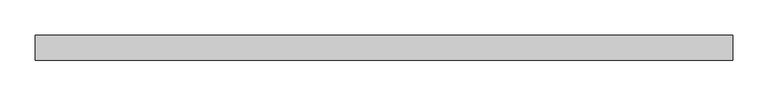
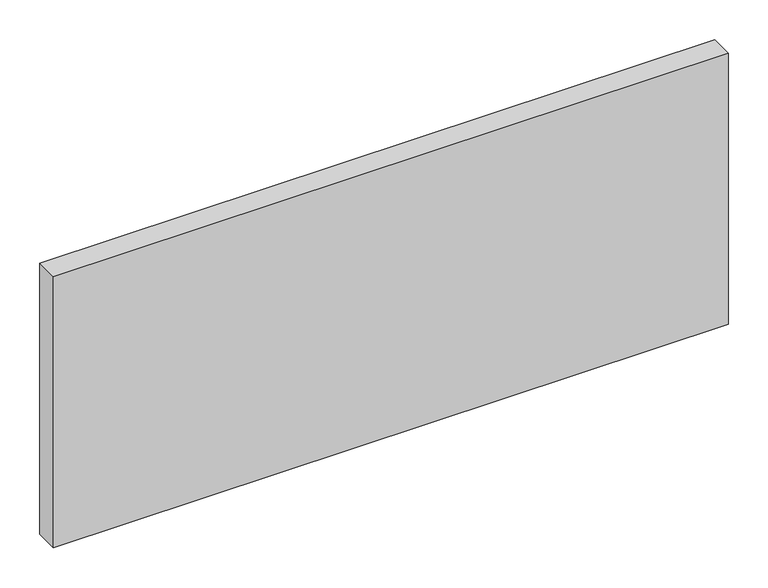
"""IFC4 building model written with IfcOpenShell, lengths in millimetres: plate geometry."""

from ifc_helpers import new_model, si_unit, origin, origin_with_axes, place, context, project, spatial, polyline, outline, extrude, source, transform, mapped, element, save


def plate_3c5e174d(model_context):
    return source(origin(), model_context, "Body", "SweptSolid", [
        extrude(outline(polyline([(491.7544643, -17.5), (-491.7544643, -17.5), (-491.7544643, 17.5), (491.7544643, 17.5), (491.7544643, -17.5)])), origin_with_axes(), (0.0, 0.0, 1.0), 417.625),
    ])


if __name__ == "__main__":
    model = new_model("IFC4")
    model_context = context("Model", 3, world=origin())
    ifc_project = project(units=[si_unit("LENGTHUNIT", "METRE", prefix="MILLI")], contexts=[model_context])
    site = spatial("IfcSite", under=ifc_project)
    building = spatial("IfcBuilding", under=site)
    placement = place(None, origin())
    plate_shape = plate_3c5e174d(model_context)
    element("IfcPlate", 1, at=placement, inside=building, context=model_context, shape_type="MappedRepresentation", body=[
        mapped(plate_shape, transform((0.0, 0.0, 0.0), x_axis=(1.0, 0.0, 0.0), y_axis=(0.0, 1.0, 0.0), z_axis=(0.0, 0.0, 1.0))),
    ])
    save(model, "model.ifc")
